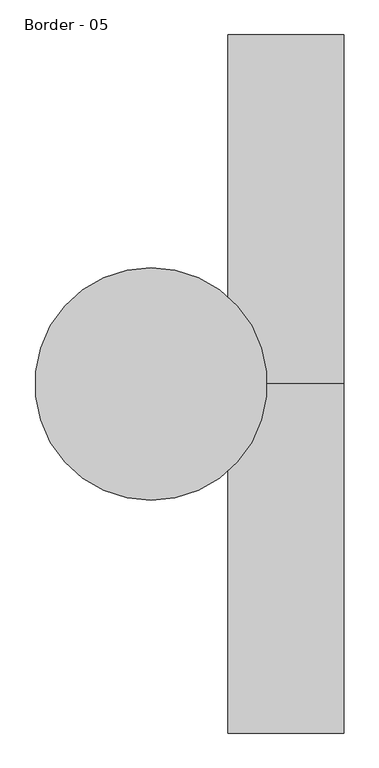
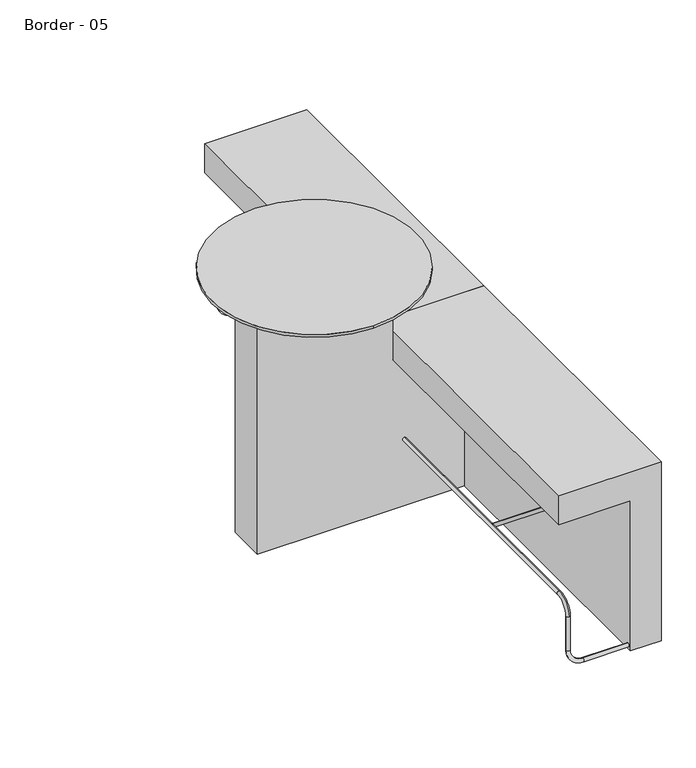
"""IFC4 building model written with IfcOpenShell, lengths in millimetres: furniture geometry, Border - 05."""

import ifcopenshell
import ifcopenshell.guid

model = None  # the IFC model being written
_history = None  # IfcOwnerHistory: only IFC2X3 demands one
_inside = {}  # id of a spatial element -> (the spatial element, [elements in it])
_under = {}  # id of a project, library or spatial element -> (it, [spatial elements below it])
_declared = {}  # id of a project -> (the project, [libraries it declares])
_typed = {}  # id of a type object -> (the type object, [elements of that type])
_made_of = {}  # id of a material, layer set ... -> (it, [elements and type objects made of it])


def new_model(schema):
    """Start an empty IFC model of exactly this schema.

    Asked for "IFC4X3", IfcOpenShell would pick the latest addendum, in which some entities
    have other attributes; the version numbers below select the first issue.
    IFC2X3 requires an IfcOwnerHistory on every rooted entity: one is made here for all.
    """
    global model, _history
    if schema == "IFC4X3":
        model = ifcopenshell.file(schema_version=(4, 3, 0, 0))
    else:
        model = ifcopenshell.file(schema=schema)
    _inside.clear()
    _under.clear()
    _declared.clear()
    _typed.clear()
    _made_of.clear()
    _history = None
    if model.schema == "IFC2X3":
        org = make("IfcOrganization", Name="unknown")
        user = make(
            "IfcPersonAndOrganization",
            ThePerson=make("IfcPerson", FamilyName="unknown"),
            TheOrganization=org,
        )
        app = make(
            "IfcApplication",
            ApplicationDeveloper=org,
            Version="unknown",
            ApplicationFullName="unknown",
            ApplicationIdentifier="unknown",
        )
        _history = make(
            "IfcOwnerHistory",
            OwningUser=user,
            OwningApplication=app,
            ChangeAction="ADDED",
            CreationDate=0,
        )
    return model


def make(cls, **values):
    """One entity of the class cls with the attributes given. An attribute that is None is left unset."""
    return model.create_entity(
        cls, **{name: value for name, value in values.items() if value is not None}
    )


def rooted(cls, **values):
    """An entity with a GlobalId (a new one), such as an element, a storey or a relation."""
    return make(cls, GlobalId=ifcopenshell.guid.new(), OwnerHistory=_history, **values)


def si_unit(unit_type, name, prefix=None):
    """IfcSIUnit, for example si_unit("LENGTHUNIT", "METRE", prefix="MILLI")."""
    return make("IfcSIUnit", UnitType=unit_type, Prefix=prefix, Name=name)


def assignment(units):
    """IfcUnitAssignment: the units of a project."""
    return None if units is None else make("IfcUnitAssignment", Units=units)


def point(xyz):
    """IfcCartesianPoint."""
    return None if xyz is None else make("IfcCartesianPoint", Coordinates=xyz)


def direction(xyz):
    """IfcDirection."""
    return None if xyz is None else make("IfcDirection", DirectionRatios=xyz)


def frame(location, z_axis=None, x_axis=None):
    """IfcAxis2Placement3D, a coordinate frame: its origin and axes. An axis left out is left unset."""
    return make(
        "IfcAxis2Placement3D",
        Location=point(location),
        Axis=direction(z_axis),
        RefDirection=direction(x_axis),
    )


def frame_2d(location, x_axis=None):
    """IfcAxis2Placement2D, a coordinate frame in the plane: its origin and x axis."""
    return make(
        "IfcAxis2Placement2D", Location=point(location), RefDirection=direction(x_axis)
    )


def origin():
    """The frame at (0, 0, 0) with its axes left unset."""
    return frame((0.0, 0.0, 0.0))


def origin_with_axes():
    """The frame at (0, 0, 0) with the z axis (0, 0, 1) and the x axis (1, 0, 0) written out."""
    return frame((0.0, 0.0, 0.0), z_axis=(0.0, 0.0, 1.0), x_axis=(1.0, 0.0, 0.0))


def place(relative_to, where):
    """IfcLocalPlacement: puts the frame where relative to a parent placement (None: the world)."""
    return make(
        "IfcLocalPlacement", PlacementRelTo=relative_to, RelativePlacement=where
    )


def context(
    kind, dimensions, precision=None, world=None, true_north=None, identifier=None
):
    """IfcGeometricRepresentationContext, for example the 3D "Model" context."""
    return make(
        "IfcGeometricRepresentationContext",
        ContextIdentifier=identifier,
        ContextType=kind,
        CoordinateSpaceDimension=dimensions,
        Precision=precision,
        WorldCoordinateSystem=world,
        TrueNorth=true_north,
    )


def project(units=None, contexts=None):
    """IfcProject with its units and contexts."""
    return rooted(
        "IfcProject",
        Name="project",
        RepresentationContexts=contexts,
        UnitsInContext=assignment(units),
    )


def spatial(cls, under=None, at=None, **own):
    """A site, building, storey or space (cls), placed at a placement, below another one or the project."""
    s = rooted(cls, ObjectPlacement=at, **own)
    if under is not None:
        _under.setdefault(under.id(), (under, []))[1].append(s)
    return s


def polyline(points):
    """IfcPolyline through the points."""
    return make("IfcPolyline", Points=[point(p) for p in points])


def circle_curve(where, radius):
    """IfcCircle in the frame where."""
    return make("IfcCircle", Position=where, Radius=radius)


def ellipse_curve(where, semi_axis1, semi_axis2):
    """IfcEllipse in the frame where."""
    return make(
        "IfcEllipse", Position=where, SemiAxis1=semi_axis1, SemiAxis2=semi_axis2
    )


def trimmed(basis, trim1, trim2, sense, master):
    """IfcTrimmedCurve: the piece of a basis curve between two trims."""
    return make(
        "IfcTrimmedCurve",
        BasisCurve=basis,
        Trim1=trim1,
        Trim2=trim2,
        SenseAgreement=sense,
        MasterRepresentation=master,
    )


def segment(curve, same_sense, transition):
    """IfcCompositeCurveSegment."""
    return make(
        "IfcCompositeCurveSegment",
        Transition=transition,
        SameSense=same_sense,
        ParentCurve=curve,
    )


def composite_curve(segments, self_intersect=None):
    """IfcCompositeCurve: segments joined end to end."""
    return make("IfcCompositeCurve", Segments=segments, SelfIntersect=self_intersect)


def outline(outer, holes=None, kind="AREA"):
    """IfcArbitraryClosedProfileDef: a profile drawn as a closed curve; with holes, ...WithVoids."""
    if holes is None:
        return make("IfcArbitraryClosedProfileDef", ProfileType=kind, OuterCurve=outer)
    return make(
        "IfcArbitraryProfileDefWithVoids",
        ProfileType=kind,
        OuterCurve=outer,
        InnerCurves=holes,
    )


def extrude(swept, where, along, depth):
    """IfcExtrudedAreaSolid: the profile swept, set in the frame where, extruded along a direction by depth."""
    return make(
        "IfcExtrudedAreaSolid",
        SweptArea=swept,
        Position=where,
        ExtrudedDirection=direction(along),
        Depth=depth,
    )


def shape(context_of_items, identifier, shape_type, items):
    """IfcShapeRepresentation: the items that make up one representation, for example the "Body"."""
    return make(
        "IfcShapeRepresentation",
        ContextOfItems=context_of_items,
        RepresentationIdentifier=identifier,
        RepresentationType=shape_type,
        Items=items,
    )


def source(mapping_origin, context_of_items, identifier, shape_type, items):
    """IfcRepresentationMap: a shape defined once, which mapped items show again and again."""
    return make(
        "IfcRepresentationMap",
        MappingOrigin=mapping_origin,
        MappedRepresentation=shape(context_of_items, identifier, shape_type, items),
    )


def transform(
    local_origin,
    x_axis=None,
    y_axis=None,
    z_axis=None,
    scale=None,
    scale2=None,
    scale3=None,
    uniform=True,
):
    """IfcCartesianTransformationOperator3D, or its non-uniform kind. x_axis, y_axis, z_axis: its Axis1, 2, 3."""
    if uniform:
        return make(
            "IfcCartesianTransformationOperator3D",
            Axis1=direction(x_axis),
            Axis2=direction(y_axis),
            LocalOrigin=point(local_origin),
            Scale=scale,
            Axis3=direction(z_axis),
        )
    return make(
        "IfcCartesianTransformationOperator3DnonUniform",
        Axis1=direction(x_axis),
        Axis2=direction(y_axis),
        LocalOrigin=point(local_origin),
        Scale=scale,
        Axis3=direction(z_axis),
        Scale2=scale2,
        Scale3=scale3,
    )


def mapped(mapping_source, mapping_target):
    """IfcMappedItem: shows the shape of a source again, moved by a transform."""
    return make(
        "IfcMappedItem", MappingSource=mapping_source, MappingTarget=mapping_target
    )


def made_of(thing, what):
    """Note that an element or type object is made of a material, layer set ...; save() writes the relation."""
    if what is not None:
        _made_of.setdefault(what.id(), (what, []))[1].append(thing)
    return thing


def element(
    cls,
    number,
    at=None,
    inside=None,
    cuts=None,
    type_object=None,
    material=None,
    context=None,
    identifier="Body",
    shape_type=None,
    held_by="IfcProductDefinitionShape",
    body=None,
    shapes=None,
    **own,
):
    """One element of the class cls, such as IfcWall. Its Tag is "e" and its number.

    at: its placement. inside: the storey or other place that contains it. cuts: it is an
    opening in that element (IfcRelVoidsElement). A single representation is given by context,
    identifier, shape_type and body (its items); several are given by shapes. held_by: the class
    of the entity that holds the representations. save() writes the other relations.
    """
    e = rooted(cls, Tag="e%d" % number, ObjectPlacement=at, **own)
    if body is not None:
        shapes = [shape(context, identifier, shape_type, body)]
    if shapes is not None:
        e.Representation = make(held_by, Representations=shapes)
    if inside is not None:
        _inside.setdefault(inside.id(), (inside, []))[1].append(e)
    if cuts is not None:
        rooted(
            "IfcRelVoidsElement", RelatingBuildingElement=cuts, RelatedOpeningElement=e
        )
    if type_object is not None:
        _typed.setdefault(type_object.id(), (type_object, []))[1].append(e)
    return made_of(e, material)


def aggregate(whole, parts):
    """IfcRelAggregates: a whole, such as a stair, and the parts it consists of."""
    return rooted("IfcRelAggregates", RelatingObject=whole, RelatedObjects=parts)


def save(model, path):
    """Write the relations noted so far, then the file.

    IfcRelAggregates (storeys below a building ...), IfcRelContainedInSpatialStructure (elements
    in a storey), IfcRelDefinesByType, IfcRelAssociatesMaterial and IfcRelDeclares: one each for
    every whole, place, type object, material and project.
    """
    for whole, parts in _under.values():
        aggregate(whole, parts)
    for where, things in _inside.values():
        rooted(
            "IfcRelContainedInSpatialStructure",
            RelatedElements=things,
            RelatingStructure=where,
        )
    for kind, things in _typed.values():
        rooted("IfcRelDefinesByType", RelatedObjects=things, RelatingType=kind)
    for what, things in _made_of.values():
        rooted("IfcRelAssociatesMaterial", RelatedObjects=things, RelatingMaterial=what)
    for by, libraries in _declared.values():
        rooted("IfcRelDeclares", RelatingContext=by, RelatedDefinitions=libraries)
    model.write(path)


def plane_surface(at):
    """IfcPlane: the flat surface through the origin of the frame at, square to its z axis."""
    return make("IfcPlane", Position=at)


def cylinder_surface(at, radius):
    """IfcCylindricalSurface: all points at the distance radius from the z axis of the frame at."""
    return make("IfcCylindricalSurface", Position=at, Radius=radius)


def revolved_surface(curve, axis_point, axis_direction):
    """IfcSurfaceOfRevolution: the curve turned about the line through axis_point along axis_direction."""
    return make(
        "IfcSurfaceOfRevolution",
        SweptCurve=make("IfcArbitraryOpenProfileDef", ProfileType="CURVE", Curve=curve),
        AxisPosition=make("IfcAxis1Placement", Location=point(axis_point), Axis=direction(axis_direction)),
    )


def advanced_brep(points, edges, surfaces, faces):
    """IfcAdvancedBrep: a solid bounded by faces that lie on surfaces and meet in shared edges.

    An edge is (start, end): straight between two places in points (the first is 0);
    or (start, end, curve); or (start, end, curve, False) where it runs against its curve.
    A face is (place in surfaces, loops), or (place, loops, False) where it looks against
    its surface's normal. A loop lists edges by number (the first is 1), with a minus sign
    where the edge is run from its end to its start. The first loop is the outer one.
    """
    corners = [point(p) for p in points]
    vertices = [make("IfcVertexPoint", VertexGeometry=c) for c in corners]
    made = []
    for start, end, *more in edges:
        made.append(
            make(
                "IfcEdgeCurve",
                EdgeStart=vertices[start],
                EdgeEnd=vertices[end],
                EdgeGeometry=more[0] if more else make("IfcPolyline", Points=[corners[start], corners[end]]),
                SameSense=more[1] if len(more) > 1 else True,
            )
        )
    hull = []
    for where, loops, *sense in faces:
        bounds = []
        for j, loop in enumerate(loops):
            ring = [make("IfcOrientedEdge", EdgeElement=made[abs(k) - 1], Orientation=k > 0) for k in loop]
            bounds.append(
                make(
                    "IfcFaceOuterBound" if j == 0 else "IfcFaceBound",
                    Bound=make("IfcEdgeLoop", EdgeList=ring),
                    Orientation=True,
                )
            )
        hull.append(make("IfcAdvancedFace", Bounds=bounds, FaceSurface=surfaces[where], SameSense=sense[0] if sense else True))
    return make("IfcAdvancedBrep", Outer=make("IfcClosedShell", CfsFaces=hull))


def border_05_2ca83b59(model_context):
    return source(origin(), model_context, "Body", "SolidModel", [
        advanced_brep(
        [(-278.0713252, 0.2775135, 912.6436849), (-278.0713252, 0.2775135, 868.1649803), (-269.2923071, 0.2775135, 868.1649803), (-269.2923071, 0.2775135, 912.6436849)],
        [
            (0, 1, circle_curve(frame((-278.0713252, 0.2775135, 890.4043326), z_axis=(-1.0, 0.0, 0.0), x_axis=(0.0, 0.0, -1.0)), 22.2393523)),
            (1, 0, circle_curve(frame((-278.0713252, 0.2775135, 890.4043326), z_axis=(-1.0, 0.0, 0.0), x_axis=(0.0, 0.0, -1.0)), 22.2393523)),
            (1, 2),
            (2, 3, ellipse_curve(frame((-269.2923071, 0.2775135, 890.4043326), z_axis=(-0.9848077530122081, 0.17364817766693016, 0.0), x_axis=(0.17364817766692978, 0.9848077530122081, 0.0)), 22.5824302, 22.2393523)),
            (3, 0),
            (3, 2, ellipse_curve(frame((-269.2923071, 0.2775135, 890.4043326), z_axis=(-0.9848077530122081, 0.17364817766693016, 0.0), x_axis=(0.17364817766692978, 0.9848077530122081, 0.0)), 22.5824302, 22.2393523)),
        ],
        [
            plane_surface(frame((-278.0713252, 0.2775135, 868.1649803), z_axis=(-1.0, 0.0, 0.0), x_axis=(0.0, -1.0, 0.0))),
            cylinder_surface(frame((-278.0713252, 0.2775135, 890.4043326), z_axis=(1.0, 0.0, 0.0), x_axis=(0.0, 0.0, -1.0)), 22.2393523),
            plane_surface(frame((-273.6676792, -24.5364551, 866.2000865), z_axis=(0.9848077530122081, -0.17364817766693016, 0.0), x_axis=(0.0, 0.0, 1.0))),
        ],
        [
            (0, [[1, 2]]),
            (1, [[-2, 3, 4, 5]]),
            (1, [[-1, -5, 6, -3]]),
            (2, [[-4, -6]]),
        ],
    ),
        extrude(outline(composite_curve([segment(trimmed(circle_curve(frame_2d((0.6057727, 900.3755519)), 45.0), [point((0.6057727, 945.3755519))], [point((0.6057727, 855.3755519))], False, "CARTESIAN"), True, "CONTINUOUS"), segment(trimmed(circle_curve(frame_2d((0.6057727, 900.3755519)), 45.0), [point((0.6057727, 855.3755519))], [point((0.6057727, 945.3755519))], False, "CARTESIAN"), True, "CONTINUOUS")], self_intersect=False)), frame((-280.0, 0.0, 0.0), z_axis=(1.0, 0.0, 0.0), x_axis=(0.0, 1.0, 0.0)), (0.0, 0.0, 1.0), 1.9286748),
        extrude(outline(composite_curve([segment(trimmed(circle_curve(frame_2d((60.423152, 59.9805734)), 25.0), [point((60.423152, 84.9805734))], [point((60.423152, 34.9805734))], False, "CARTESIAN"), True, "CONTINUOUS"), segment(trimmed(circle_curve(frame_2d((60.423152, 59.9805734)), 25.0), [point((60.423152, 34.9805734))], [point((60.423152, 84.9805734))], False, "CARTESIAN"), True, "CONTINUOUS")], self_intersect=False)), origin_with_axes(), (0.0, 0.0, 1.0), 10.0),
        advanced_brep(
        [(0.0, -1184.1185487, 17.5), (0.0, -1184.1185487, 32.5), (-174.8704276, -1184.1185487, 32.5), (-174.8704276, -1184.1185487, 17.5), (-227.3704276, -1184.1185487, 85.0), (-242.3704276, -1184.1185487, 85.0), (-227.3704276, -1184.1185487, 225.8567292), (-234.8704276, -1191.6185487, 225.8567292), (-242.3704276, -1184.1185487, 225.8567292), (-234.8704276, -1176.6185487, 225.8567292), (-234.8704276, -1124.1185487, 278.3567292), (-234.8704276, -1124.1185487, 293.3567292), (-234.8704276, -75.0, 278.3567292), (-234.8704276, -75.0, 293.3567292)],
        [
            (0, 1, circle_curve(frame((0.0, -1184.1185487, 25.0), z_axis=(1.0, 0.0, 0.0), x_axis=(0.0, 0.0, 1.0)), 7.5)),
            (1, 0, circle_curve(frame((0.0, -1184.1185487, 25.0), z_axis=(1.0, 0.0, 0.0), x_axis=(0.0, 0.0, 1.0)), 7.5)),
            (1, 2),
            (2, 3, circle_curve(frame((-174.8704276, -1184.1185487, 25.0), z_axis=(1.0, 0.0, 0.0), x_axis=(0.0, 0.0, 1.0)), 7.5)),
            (3, 0),
            (3, 2, circle_curve(frame((-174.8704276, -1184.1185487, 25.0), z_axis=(1.0, 0.0, 0.0), x_axis=(0.0, 0.0, 1.0)), 7.5)),
            (2, 4, circle_curve(frame((-174.8704276, -1184.1185487, 85.0), z_axis=(0.0, 1.0, 0.0), x_axis=(0.0, 0.0, -1.0)), 52.5)),
            (4, 5, circle_curve(frame((-234.8704276, -1184.1185487, 85.0), z_axis=(0.0, 0.0, -1.0), x_axis=(1.0, 0.0, 0.0)), 7.5)),
            (5, 3, circle_curve(frame((-174.8704276, -1184.1185487, 85.0), z_axis=(0.0, -1.0, 0.0), x_axis=(0.0, 0.0, -1.0)), 67.5)),
            (5, 4, circle_curve(frame((-234.8704276, -1184.1185487, 85.0), z_axis=(0.0, 0.0, -1.0), x_axis=(1.0, 0.0, 0.0)), 7.5)),
            (4, 6),
            (6, 7, circle_curve(frame((-234.8704276, -1184.1185487, 225.8567292), z_axis=(0.0, 0.0, -1.0), x_axis=(1.0, 0.0, 0.0)), 7.5)),
            (7, 8, circle_curve(frame((-234.8704276, -1184.1185487, 225.8567292), z_axis=(0.0, 0.0, -1.0), x_axis=(1.0, 0.0, 0.0)), 7.5)),
            (8, 5),
            (8, 9, circle_curve(frame((-234.8704276, -1184.1185487, 225.8567292), z_axis=(0.0, 0.0, -1.0), x_axis=(1.0, 0.0, 0.0)), 7.5)),
            (9, 6, circle_curve(frame((-234.8704276, -1184.1185487, 225.8567292), z_axis=(0.0, 0.0, -1.0), x_axis=(1.0, 0.0, 0.0)), 7.5)),
            (10, 9, circle_curve(frame((-234.8704276, -1124.1185487, 225.8567292), z_axis=(1.0, 0.0, 0.0), x_axis=(0.0, -1.0, 0.0)), 52.5)),
            (7, 11, circle_curve(frame((-234.8704276, -1124.1185487, 225.8567292), z_axis=(-1.0, 0.0, 0.0), x_axis=(0.0, -1.0, 0.0)), 67.5)),
            (11, 10, circle_curve(frame((-234.8704276, -1124.1185487, 285.8567292), z_axis=(0.0, -1.0, 0.0), x_axis=(0.0, 0.0, 1.0)), 7.5)),
            (10, 11, circle_curve(frame((-234.8704276, -1124.1185487, 285.8567292), z_axis=(0.0, -1.0, 0.0), x_axis=(0.0, 0.0, 1.0)), 7.5)),
            (12, 13, circle_curve(frame((-234.8704276, -75.0, 285.8567292), z_axis=(0.0, 1.0, 0.0), x_axis=(0.0, 0.0, 1.0)), 7.5)),
            (13, 12, circle_curve(frame((-234.8704276, -75.0, 285.8567292), z_axis=(0.0, 1.0, 0.0), x_axis=(0.0, 0.0, 1.0)), 7.5)),
            (11, 13),
            (12, 10),
        ],
        [
            plane_surface(frame((0.0, -1184.1185487, 25.0), z_axis=(1.0, 0.0, 0.0), x_axis=(0.0, 1.0, 0.0))),
            cylinder_surface(frame((0.0, -1184.1185487, 25.0), z_axis=(1.0, 0.0, 0.0), x_axis=(0.0, 0.0, 1.0)), 7.5),
            revolved_surface(trimmed(ellipse_curve(frame((-174.8704276, -1184.1185487, 25.0), z_axis=(1.0, 0.0, 0.0), x_axis=(0.0, 0.0, 1.0)), 7.5, 7.5), [point((-174.8704276, -1184.1185487, 32.5))], [point((-174.8704276, -1184.1185487, 17.5))], True, "CARTESIAN"), (-174.8704276, -1184.1185487, 85.0), (0.0, 1.0, 0.0)),
            revolved_surface(trimmed(ellipse_curve(frame((-174.8704276, -1184.1185487, 25.0), z_axis=(1.0, 0.0, 0.0), x_axis=(0.0, 0.0, 1.0)), 7.5, 7.5), [point((-174.8704276, -1184.1185487, 17.5))], [point((-174.8704276, -1184.1185487, 32.5))], True, "CARTESIAN"), (-174.8704276, -1184.1185487, 85.0), (0.0, 1.0, 0.0)),
            cylinder_surface(frame((-234.8704276, -1184.1185487, 85.0), z_axis=(0.0, 0.0, -1.0), x_axis=(1.0, 0.0, 0.0)), 7.5),
            revolved_surface(trimmed(ellipse_curve(frame((-234.8704276, -1184.1185487, 225.8567292), z_axis=(0.0, 0.0, -1.0), x_axis=(0.0, -1.0, 0.0)), 7.5, 7.5), [point((-234.8704276, -1191.6185487, 225.8567292))], [point((-234.8704276, -1176.6185487, 225.8567292))], True, "CARTESIAN"), (0.0, -1124.1185487, 225.8567292), (-1.0, 0.0, 0.0)),
            revolved_surface(trimmed(ellipse_curve(frame((-234.8704276, -1184.1185487, 225.8567292), z_axis=(0.0, 0.0, -1.0), x_axis=(0.0, -1.0, 0.0)), 7.5, 7.5), [point((-234.8704276, -1176.6185487, 225.8567292))], [point((-234.8704276, -1191.6185487, 225.8567292))], True, "CARTESIAN"), (0.0, -1124.1185487, 225.8567292), (-1.0, 0.0, 0.0)),
            plane_surface(frame((0.0, -75.0, 285.8567292), z_axis=(0.0, 1.0, 0.0), x_axis=(1.0, 0.0, 0.0))),
            cylinder_surface(frame((-234.8704276, -1124.1185487, 285.8567292), z_axis=(0.0, -1.0, 0.0), x_axis=(0.0, 0.0, 1.0)), 7.5),
        ],
        [
            (0, [[1, 2]]),
            (1, [[-2, 3, 4, 5]]),
            (1, [[-1, -5, 6, -3]]),
            (2, [[-4, 7, 8, 9]]),
            (3, [[-6, -9, 10, -7]]),
            (4, [[-8, 11, 12, 13, 14]]),
            (4, [[-10, -14, 15, 16, -11]]),
            (5, [[17, -15, -13, 18, 19]]),
            (6, [[-17, 20, -18, -12, -16]]),
            (7, [[21, 22]]),
            (8, [[-19, 23, -21, 24]]),
            (8, [[-20, -24, -22, -23]]),
        ],
    ),
        extrude(outline(composite_curve([segment(trimmed(circle_curve(frame_2d((-666.9247919, 285.8721425)), 7.5), [point((-666.9247919, 278.3721425))], [point((-666.9247919, 293.3721425))], False, "CARTESIAN"), True, "CONTINUOUS"), segment(trimmed(circle_curve(frame_2d((-666.9247919, 285.8721425)), 7.5), [point((-666.9247919, 293.3721425))], [point((-666.9247919, 278.3721425))], False, "CARTESIAN"), True, "CONTINUOUS")], self_intersect=False)), frame((-234.8704276, 0.0, 0.0), z_axis=(1.0, 0.0, 0.0), x_axis=(0.0, 1.0, 0.0)), (0.0, 0.0, 1.0), 234.8704276),
        extrude(outline(polyline([(750.0, 120.0), (750.0, -280.0), (630.0, -280.0), (630.0, 0.0), (10.0, 0.0), (10.0, 120.0), (750.0, 120.0)])), frame((0.0, -1200.0, 0.0), z_axis=(0.0, 1.0, 0.0), x_axis=(0.0, 0.0, 1.0)), (0.0, 0.0, 1.0), 1200.0),
        extrude(outline(composite_curve([segment(trimmed(circle_curve(frame_2d((60.423152, -1075.0240584)), 25.0), [point((60.423152, -1050.0240584))], [point((60.423152, -1100.0240584))], False, "CARTESIAN"), True, "CONTINUOUS"), segment(trimmed(circle_curve(frame_2d((60.423152, -1075.0240584)), 25.0), [point((60.423152, -1100.0240584))], [point((60.423152, -1050.0240584))], False, "CARTESIAN"), True, "CONTINUOUS")], self_intersect=False)), origin_with_axes(), (0.0, 0.0, 1.0), 10.0),
        advanced_brep(
        [(-234.8704276, 1124.1185487, 278.3567292), (-234.8704276, 1176.6185487, 225.8567292), (-227.3704276, 1184.1185487, 225.8567292), (-234.8704276, 1191.6185487, 225.8567292), (-234.8704276, 1124.1185487, 293.3567292), (-242.3704276, 1184.1185487, 225.8567292), (-234.8704276, 75.0, 293.3567292), (-234.8704276, 75.0, 278.3567292), (0.0, 1184.1185487, 32.5), (0.0, 1184.1185487, 17.5), (-174.8704276, 1184.1185487, 32.5), (-174.8704276, 1184.1185487, 17.5), (-227.3704276, 1184.1185487, 85.0), (-242.3704276, 1184.1185487, 85.0)],
        [
            (0, 1, circle_curve(frame((-234.8704276, 1124.1185487, 225.8567292), z_axis=(-1.0, 0.0, 0.0), x_axis=(0.0, 1.0, 0.0)), 52.5)),
            (1, 2, circle_curve(frame((-234.8704276, 1184.1185487, 225.8567292), z_axis=(0.0, 0.0, 1.0), x_axis=(0.0, -1.0, 0.0)), 7.5)),
            (2, 3, circle_curve(frame((-234.8704276, 1184.1185487, 225.8567292), z_axis=(0.0, 0.0, 1.0), x_axis=(0.0, -1.0, 0.0)), 7.5)),
            (3, 4, circle_curve(frame((-234.8704276, 1124.1185487, 225.8567292), z_axis=(1.0, 0.0, 0.0), x_axis=(0.0, 1.0, 0.0)), 67.5)),
            (4, 0, circle_curve(frame((-234.8704276, 1124.1185487, 285.8567292), z_axis=(0.0, 1.0, 0.0), x_axis=(0.0, 0.0, -1.0)), 7.5)),
            (0, 4, circle_curve(frame((-234.8704276, 1124.1185487, 285.8567292), z_axis=(0.0, 1.0, 0.0), x_axis=(0.0, 0.0, -1.0)), 7.5)),
            (3, 5, circle_curve(frame((-234.8704276, 1184.1185487, 225.8567292), z_axis=(0.0, 0.0, 1.0), x_axis=(0.0, -1.0, 0.0)), 7.5)),
            (5, 1, circle_curve(frame((-234.8704276, 1184.1185487, 225.8567292), z_axis=(0.0, 0.0, 1.0), x_axis=(0.0, -1.0, 0.0)), 7.5)),
            (6, 7, circle_curve(frame((-234.8704276, 75.0, 285.8567292), z_axis=(0.0, -1.0, 0.0), x_axis=(0.0, 0.0, -1.0)), 7.5)),
            (7, 6, circle_curve(frame((-234.8704276, 75.0, 285.8567292), z_axis=(0.0, -1.0, 0.0), x_axis=(0.0, 0.0, -1.0)), 7.5)),
            (4, 6),
            (7, 0),
            (8, 9, circle_curve(frame((0.0, 1184.1185487, 25.0), z_axis=(1.0, 0.0, 0.0), x_axis=(0.0, 0.0, -1.0)), 7.5)),
            (9, 8, circle_curve(frame((0.0, 1184.1185487, 25.0), z_axis=(1.0, 0.0, 0.0), x_axis=(0.0, 0.0, -1.0)), 7.5)),
            (8, 10),
            (10, 11, circle_curve(frame((-174.8704276, 1184.1185487, 25.0), z_axis=(1.0, 0.0, 0.0), x_axis=(0.0, 0.0, -1.0)), 7.5)),
            (11, 9),
            (11, 10, circle_curve(frame((-174.8704276, 1184.1185487, 25.0), z_axis=(1.0, 0.0, 0.0), x_axis=(0.0, 0.0, -1.0)), 7.5)),
            (10, 12, circle_curve(frame((-174.8704276, 1184.1185487, 85.0), z_axis=(0.0, 1.0, 0.0), x_axis=(0.0, 0.0, -1.0)), 52.5)),
            (12, 13, circle_curve(frame((-234.8704276, 1184.1185487, 85.0), z_axis=(0.0, 0.0, -1.0), x_axis=(-1.0, 0.0, 0.0)), 7.5)),
            (13, 11, circle_curve(frame((-174.8704276, 1184.1185487, 85.0), z_axis=(0.0, -1.0, 0.0), x_axis=(0.0, 0.0, -1.0)), 67.5)),
            (13, 12, circle_curve(frame((-234.8704276, 1184.1185487, 85.0), z_axis=(0.0, 0.0, -1.0), x_axis=(-1.0, 0.0, 0.0)), 7.5)),
            (12, 2),
            (5, 13),
        ],
        [
            revolved_surface(trimmed(ellipse_curve(frame((-234.8704276, 1184.1185487, 225.8567292), z_axis=(0.0, 0.0, -1.0), x_axis=(0.0, -1.0, 0.0)), 7.5, 7.5), [point((-234.8704276, 1191.6185487, 225.8567292))], [point((-234.8704276, 1176.6185487, 225.8567292))], True, "CARTESIAN"), (0.0, 1124.1185487, 225.8567292), (1.0, 0.0, 0.0)),
            revolved_surface(trimmed(ellipse_curve(frame((-234.8704276, 1184.1185487, 225.8567292), z_axis=(0.0, 0.0, -1.0), x_axis=(0.0, -1.0, 0.0)), 7.5, 7.5), [point((-234.8704276, 1176.6185487, 225.8567292))], [point((-234.8704276, 1191.6185487, 225.8567292))], True, "CARTESIAN"), (0.0, 1124.1185487, 225.8567292), (1.0, 0.0, 0.0)),
            plane_surface(frame((0.0, 75.0, 285.8567292), z_axis=(0.0, -1.0, 0.0), x_axis=(1.0, 0.0, 0.0))),
            cylinder_surface(frame((-234.8704276, 1124.1185487, 285.8567292), z_axis=(0.0, 1.0, 0.0), x_axis=(0.0, 0.0, -1.0)), 7.5),
            plane_surface(frame((0.0, 1109.1185487, 25.0), z_axis=(1.0, 0.0, 0.0), x_axis=(0.0, -1.0, 0.0))),
            cylinder_surface(frame((0.0, 1184.1185487, 25.0), z_axis=(1.0, 0.0, 0.0), x_axis=(0.0, 0.0, -1.0)), 7.5),
            revolved_surface(trimmed(ellipse_curve(frame((-174.8704276, 1184.1185487, 25.0), z_axis=(1.0, 0.0, 0.0), x_axis=(0.0, 0.0, -1.0)), 7.5, 7.5), [point((-174.8704276, 1184.1185487, 32.5))], [point((-174.8704276, 1184.1185487, 17.5))], True, "CARTESIAN"), (-174.8704276, 1109.1185487, 85.0), (0.0, 1.0, 0.0)),
            revolved_surface(trimmed(ellipse_curve(frame((-174.8704276, 1184.1185487, 25.0), z_axis=(1.0, 0.0, 0.0), x_axis=(0.0, 0.0, -1.0)), 7.5, 7.5), [point((-174.8704276, 1184.1185487, 17.5))], [point((-174.8704276, 1184.1185487, 32.5))], True, "CARTESIAN"), (-174.8704276, 1109.1185487, 85.0), (0.0, 1.0, 0.0)),
            cylinder_surface(frame((-234.8704276, 1184.1185487, 85.0), z_axis=(0.0, 0.0, -1.0), x_axis=(-1.0, 0.0, 0.0)), 7.5),
        ],
        [
            (0, [[1, 2, 3, 4, 5]]),
            (1, [[-1, 6, -4, 7, 8]]),
            (2, [[9, 10]]),
            (3, [[-5, 11, -10, 12]]),
            (3, [[-6, -12, -9, -11]]),
            (4, [[13, 14]]),
            (5, [[-13, 15, 16, 17]]),
            (5, [[-14, -17, 18, -15]]),
            (6, [[-16, 19, 20, 21]]),
            (7, [[-18, -21, 22, -19]]),
            (8, [[-20, 23, -2, -8, 24]]),
            (8, [[-22, -24, -7, -3, -23]]),
        ],
    ),
        extrude(outline(composite_curve([segment(trimmed(circle_curve(frame_2d((666.9247919, 285.8721425)), 7.5), [point((666.9247919, 278.3721425))], [point((666.9247919, 293.3721425))], False, "CARTESIAN"), True, "CONTINUOUS"), segment(trimmed(circle_curve(frame_2d((666.9247919, 285.8721425)), 7.5), [point((666.9247919, 293.3721425))], [point((666.9247919, 278.3721425))], False, "CARTESIAN"), True, "CONTINUOUS")], self_intersect=False)), frame((-234.8704276, 0.0, 0.0), z_axis=(1.0, 0.0, 0.0), x_axis=(0.0, 1.0, 0.0)), (0.0, 0.0, 1.0), 234.8704276),
        extrude(outline(composite_curve([segment(trimmed(circle_curve(frame_2d((60.423152, -59.9805734)), 25.0), [point((60.423152, -34.9805734))], [point((60.423152, -84.9805734))], False, "CARTESIAN"), True, "CONTINUOUS"), segment(trimmed(circle_curve(frame_2d((60.423152, -59.9805734)), 25.0), [point((60.423152, -84.9805734))], [point((60.423152, -34.9805734))], False, "CARTESIAN"), True, "CONTINUOUS")], self_intersect=False)), origin_with_axes(), (0.0, 0.0, 1.0), 10.0),
        extrude(outline(polyline([(750.0, 120.0), (750.0, -280.0), (630.0, -280.0), (630.0, 0.0), (10.0, 0.0), (10.0, 120.0), (750.0, 120.0)])), frame((0.0, 0.0, 0.0), z_axis=(0.0, 1.0, 0.0), x_axis=(0.0, 0.0, 1.0)), (0.0, 0.0, 1.0), 1200.0),
        extrude(outline(composite_curve([segment(trimmed(circle_curve(frame_2d((-760.0, 0.0)), 25.0), [point((-785.0, 0.0))], [point((-735.0, 0.0))], False, "CARTESIAN"), True, "CONTINUOUS"), segment(trimmed(circle_curve(frame_2d((-760.0, 0.0)), 25.0), [point((-735.0, 0.0))], [point((-785.0, 0.0))], False, "CARTESIAN"), True, "CONTINUOUS")], self_intersect=False)), origin_with_axes(), (0.0, 0.0, 1.0), 10.0),
        advanced_brep(
        [(-544.1165847, 400.0, 1060.0), (-544.1165847, -400.0, 1060.0), (-544.1165847, -344.0192379, 1034.1358283), (-544.1165847, 344.0192379, 1034.1358283), (-544.1165847, 400.0, 1049.1358283), (-544.1165847, -400.0, 1049.1358283)],
        [
            (0, 1, circle_curve(frame((-544.1165847, 0.0, 1060.0), z_axis=(0.0, 0.0, 1.0), x_axis=(0.0, -1.0, 0.0)), 400.0)),
            (1, 0, circle_curve(frame((-544.1165847, 0.0, 1060.0), z_axis=(0.0, 0.0, 1.0), x_axis=(0.0, -1.0, 0.0)), 400.0)),
            (2, 3, circle_curve(frame((-544.1165847, 0.0, 1034.1358283), z_axis=(0.0, 0.0, -1.0), x_axis=(0.0, 1.0, 0.0)), 344.0192379)),
            (3, 2, circle_curve(frame((-544.1165847, 0.0, 1034.1358283), z_axis=(0.0, 0.0, -1.0), x_axis=(0.0, -1.0, 0.0)), 344.0192379)),
            (0, 4),
            (4, 5, circle_curve(frame((-544.1165847, 0.0, 1049.1358283), z_axis=(0.0, 0.0, 1.0), x_axis=(0.0, -1.0, 0.0)), 400.0)),
            (5, 1),
            (5, 4, circle_curve(frame((-544.1165847, 0.0, 1049.1358283), z_axis=(0.0, 0.0, 1.0), x_axis=(0.0, -1.0, 0.0)), 400.0)),
            (2, 5),
            (4, 3),
        ],
        [
            plane_surface(frame((-544.1165847, -400.0, 1060.0), z_axis=(0.0, 0.0, 1.0), x_axis=(1.0, 0.0, 0.0))),
            plane_surface(frame((-544.1165847, -400.0, 1034.1358283), z_axis=(0.0, 0.0, -1.0), x_axis=(-1.0, 0.0, 0.0))),
            cylinder_surface(frame((-544.1165847, 0.0, 1034.1358283), z_axis=(0.0, 0.0, 1.0), x_axis=(0.0, -1.0, 0.0)), 400.0),
            revolved_surface(polyline([(-544.1165847, 336.5551363, 1032.1358283), (-544.1165847, 400.0, 1049.1358283)]), (-544.1165847, 0.0, 1034.1358283), (0.0, 0.0, 1.0)),
            revolved_surface(polyline([(-544.1165847, -336.5551363, 1032.1358283), (-544.1165847, -400.0, 1049.1358283)]), (-544.1165847, 0.0, 1034.1358283), (0.0, 0.0, 1.0)),
        ],
        [
            (0, [[1, 2]]),
            (1, [[3, 4]]),
            (2, [[-1, 5, 6, 7]]),
            (2, [[-2, -7, 8, -5]]),
            (3, [[9, -6, 10, -3]]),
            (4, [[-9, -4, -10, -8]]),
        ],
    ),
        extrude(outline(polyline([(630.0, -280.0), (1032.1358283, -280.0), (1032.1358283, -810.0), (10.0, -810.0), (10.0, 0.0), (630.0, 0.0), (630.0, -280.0)])), frame((0.0, -75.0, 0.0), z_axis=(0.0, 1.0, 0.0), x_axis=(0.0, 0.0, 1.0)), (0.0, 0.0, 1.0), 150.0),
        extrude(outline(composite_curve([segment(trimmed(circle_curve(frame_2d((60.423152, 1075.0240584)), 25.0), [point((60.423152, 1100.0240584))], [point((60.423152, 1050.0240584))], False, "CARTESIAN"), True, "CONTINUOUS"), segment(trimmed(circle_curve(frame_2d((60.423152, 1075.0240584)), 25.0), [point((60.423152, 1050.0240584))], [point((60.423152, 1100.0240584))], False, "CARTESIAN"), True, "CONTINUOUS")], self_intersect=False)), origin_with_axes(), (0.0, 0.0, 1.0), 10.0),
    ])


if __name__ == "__main__":
    model = new_model("IFC4")
    model_context = context("Model", 3, world=origin())
    ifc_project = project(units=[si_unit("LENGTHUNIT", "METRE", prefix="MILLI")], contexts=[model_context])
    site = spatial("IfcSite", under=ifc_project)
    building = spatial("IfcBuilding", under=site)
    placement = place(None, origin())
    border_05_shape = border_05_2ca83b59(model_context)
    element("IfcFurniture", 1, ObjectType="Border - 05", at=placement, inside=building, context=model_context, shape_type="MappedRepresentation", body=[
        mapped(border_05_shape, transform((0.0, 0.0, 0.0), x_axis=(1.0, 0.0, 0.0), y_axis=(0.0, 1.0, 0.0), z_axis=(0.0, 0.0, 1.0))),
    ])
    save(model, "model.ifc")
